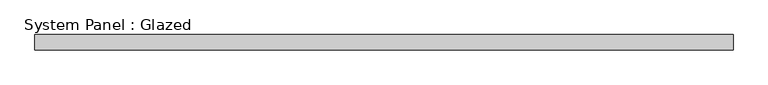
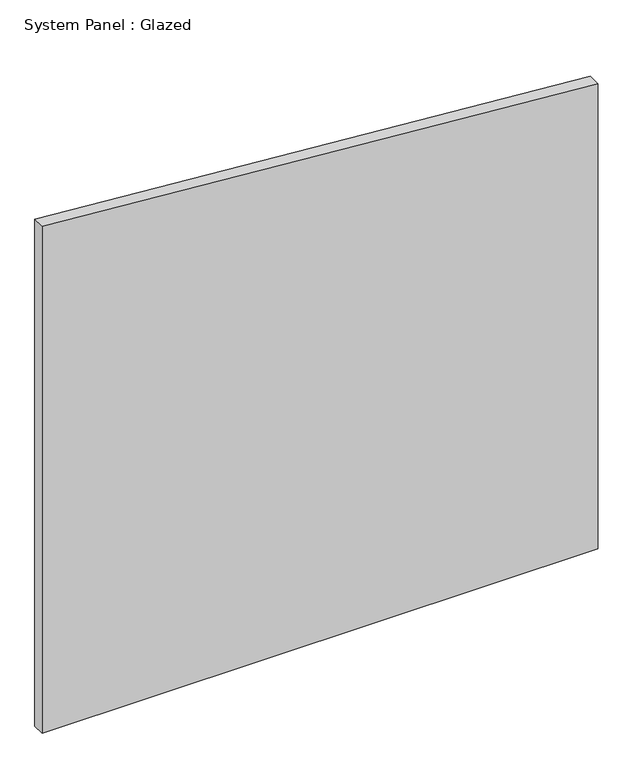
"""IFC4 building model written with IfcOpenShell, lengths in millimetres: plate geometry, System Panel : Glazed."""

from ifc_helpers import new_model, si_unit, frame, origin, place, context, project, spatial, polyline, outline, extrude, source, transform, mapped, element, save


def system_panel_glazed_ea5ceddb(model_context):
    return source(origin(), model_context, "Body", "SweptSolid", [
        extrude(outline(polyline([(0.0, -573.2875), (0.0, 573.2875), (1014.5593042, 573.2875), (1105.1529829, -573.2875), (0.0, -573.2875)])), frame((0.0, 19.05, 0.0), z_axis=(0.0, 1.0, 0.0), x_axis=(0.0, 0.0, 1.0)), (0.0, 0.0, 1.0), 25.4),
    ])


if __name__ == "__main__":
    model = new_model("IFC4")
    model_context = context("Model", 3, world=origin())
    ifc_project = project(units=[si_unit("LENGTHUNIT", "METRE", prefix="MILLI")], contexts=[model_context])
    site = spatial("IfcSite", under=ifc_project)
    building = spatial("IfcBuilding", under=site)
    placement = place(None, origin())
    system_panel_glazed_shape = system_panel_glazed_ea5ceddb(model_context)
    element("IfcPlate", 1, ObjectType="System Panel : Glazed", at=placement, inside=building, context=model_context, shape_type="MappedRepresentation", body=[
        mapped(system_panel_glazed_shape, transform((0.0, 0.0, 0.0), x_axis=(1.0, 0.0, 0.0), y_axis=(0.0, 1.0, 0.0), z_axis=(0.0, 0.0, 1.0))),
    ])
    save(model, "model.ifc")
